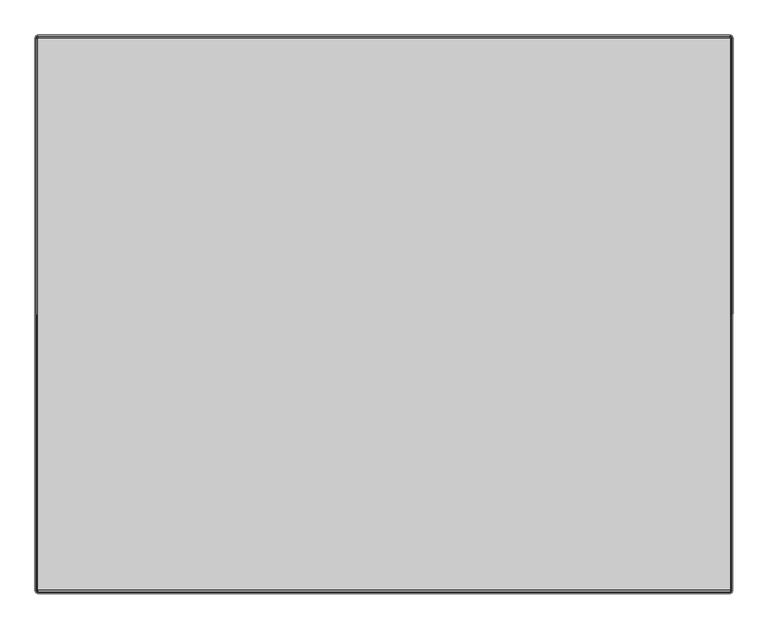
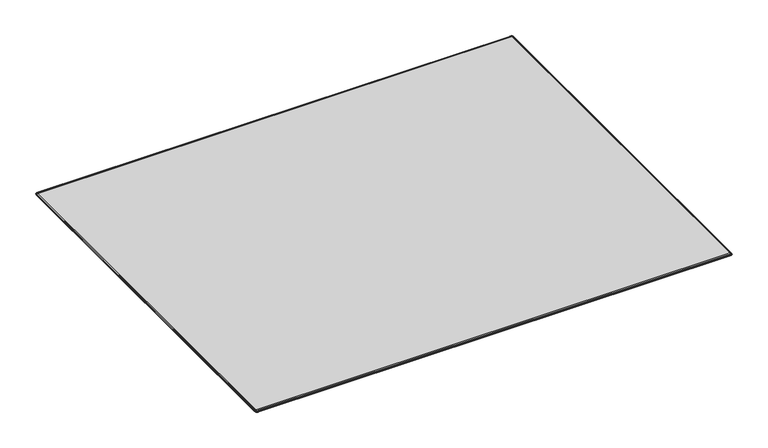
"""IFC4 building model written with IfcOpenShell, lengths in millimetres: furniture geometry."""

from ifc_helpers import new_model, si_unit, origin, place, context, project, spatial, triangles, source, transform, mapped, element, save


def furniture_b85f0503(model_context):
    return source(origin(), model_context, "Body", "Tessellation", [
        triangles([(-1219.1999273, 762.0001453, 2.5400001), (-1219.2001453, -761.999782, 2.5400001), (1219.1999273, -762.0001453, 2.5400001), (1219.2001453, 761.999782, 2.5400001)], [[1, 2, 3], [1, 3, 4]], closed=False),
        triangles([(-1512.553751, -1217.8701393, 3.9473083), (-1512.553751, -1213.8884056, 5.6455538), (-1518.0740536, -1211.2075373, 5.2703337), (-1520.318684, -1214.283585, 3.6929245), (1512.3283287, -1213.4453367, 5.5834568), (1512.3283287, -1217.4297592, 3.9113295), (1522.1921162, -1205.5378252, 3.8820998), (1518.9981251, -1205.5378252, 5.548083), (1517.4178436, -1211.2079733, 5.2703337), (1519.8697289, -1214.2768993, 3.7026699), (1512.3287647, 1217.7376619, 3.8928166), (1512.3287647, 1214.0834518, 5.5834642), (1517.418425, 1212.063081, 5.2703417), (1519.8769958, 1214.8658895, 3.6922619), (-1522.8369896, 1205.5242359, 3.9099636), (-1519.9003956, 1205.5242359, 5.6251234), (-1518.0734722, 1212.063517, 5.2703417), (-1520.3252243, 1214.8736652, 3.6821974), (-1512.5530243, 1214.4849535, 5.6455618), (-1512.5530243, 1218.1378555, 3.9290948), (-1519.5043442, -1205.5373165, 5.548083), (-1522.4415195, -1205.5373165, 3.8646087), (1519.4366158, 1205.5237272, 5.6251234), (1522.6290081, 1205.5237272, 3.9271214), (-1512.553751, -1205.5373165, 6.0910804), (1512.3283287, -1205.5378252, 6.0187375), (-1512.553751, -1220.0368675, 0.0), (-1512.553751, -1220.0368675, 1.4333036), (-1521.4664337, -1215.9145901, 1.4333036), (-1521.4664337, -1215.9145901, 0.0), (1512.3283287, -1219.6148003, 0.0), (1512.3283287, -1219.6148003, 1.4333036), (1523.9194817, -1205.5378252, 0.0), (1523.9194817, -1205.5378252, 1.433304), (1521.1658707, -1215.9150988, 1.4333036), (1521.1658707, -1215.9150988, 0.0), (1524.3367527, 1205.5237272, 6.5e-06), (1524.3374794, 1205.5237272, 1.4333101), (1512.3287647, 1219.6559315, 6.5e-06), (1512.3287647, 1219.6559315, 1.4333104), (1521.1663067, 1216.3143476, 1.4333101), (1521.1663067, 1216.3143476, 6.5e-06), (-1524.3367527, 1205.5242359, 6.5e-06), (-1524.3367527, 1205.5242359, 1.4333101), (-1521.4658524, 1216.315365, 1.4333101), (-1521.4658524, 1216.315365, 6.5e-06), (-1512.5530243, 1220.0373035, 1.4333104), (-1512.5530243, 1220.0373035, 6.5e-06), (-1523.9594501, -1205.5373165, 1.433304), (-1523.9594501, -1205.5373165, 0.0), (1512.3287647, 1205.5237272, 6.1053096), (-1512.5530243, 1205.5242359, 6.1746061), (-1512.553751, -1205.5373165, 0.0), (-1512.5530243, 1205.5242359, 6.5e-06), (1512.3287647, 1205.5237272, 6.5e-06), (1512.3283287, -1205.5378252, 0.0)], [[1, 2, 3], [3, 4, 1], [5, 2, 1], [1, 6, 5], [7, 8, 9], [9, 10, 7], [11, 12, 13], [13, 14, 11], [15, 16, 17], [17, 18, 15], [19, 12, 11], [11, 20, 19], [17, 19, 20], [20, 18, 17], [3, 21, 22], [22, 4, 3], [13, 23, 24], [24, 14, 13], [9, 5, 6], [6, 10, 9], [25, 21, 3], [3, 2, 25], [2, 5, 26], [26, 25, 2], [27, 28, 29], [29, 30, 27], [31, 32, 28], [28, 27, 31], [33, 34, 35], [35, 36, 33], [37, 38, 34], [34, 33, 37], [39, 40, 41], [41, 42, 39], [43, 44, 45], [45, 46, 43], [47, 40, 39], [39, 48, 47], [46, 45, 47], [47, 48, 46], [49, 44, 43], [43, 50, 49], [30, 29, 49], [49, 50, 30], [25, 26, 51], [51, 52, 25], [52, 19, 17], [17, 16, 52], [42, 41, 38], [38, 37, 42], [12, 51, 23], [23, 13, 12], [19, 52, 51], [51, 12, 19], [8, 26, 5], [5, 9, 8], [36, 35, 32], [32, 31, 36], [53, 54, 55], [55, 56, 53], [27, 53, 56], [56, 31, 27], [30, 50, 53], [53, 27, 30], [46, 48, 54], [54, 43, 46], [48, 39, 55], [55, 54, 48], [42, 37, 55], [55, 39, 42], [56, 33, 36], [36, 31, 56], [28, 1, 4], [4, 29, 28], [6, 1, 28], [28, 32, 6], [34, 7, 10], [10, 35, 34], [40, 11, 14], [14, 41, 40], [44, 15, 18], [18, 45, 44], [20, 11, 40], [40, 47, 20], [18, 20, 47], [47, 45, 18], [4, 22, 49], [49, 29, 4], [14, 24, 38], [38, 41, 14], [10, 6, 32], [32, 35, 10]], closed=False),
        triangles([(1522.6290081, 1205.5237272, 3.9271214), (1522.1921162, -1205.5378252, 3.8820998), (1523.9194817, -1205.5378252, 1.433304), (1524.3374794, 1205.5237272, 1.4333101), (-1522.4415195, -1205.5373165, 3.8646087), (-1522.8369896, 1205.5242359, 3.9099636), (-1524.3367527, 1205.5242359, 1.4333101), (-1523.9594501, -1205.5373165, 1.433304), (1519.4366158, 1205.5237272, 5.6251234), (1518.9981251, -1205.5378252, 5.548083), (-1519.5043442, -1205.5373165, 5.548083), (-1519.9003956, 1205.5242359, 5.6251234), (-1512.5530243, 1205.5242359, 6.1746061), (-1512.553751, -1205.5373165, 6.0910804), (1512.3287647, 1205.5237272, 6.1053096), (1512.3283287, -1205.5378252, 6.0187375), (-1523.9594501, -1205.5373165, 0.0), (-1524.3367527, 1205.5242359, 6.5e-06), (-1512.5530243, 1205.5242359, 6.5e-06), (-1512.553751, -1205.5373165, 0.0), (1524.3367527, 1205.5237272, 6.5e-06), (1523.9194817, -1205.5378252, 0.0), (1512.3283287, -1205.5378252, 0.0), (1512.3287647, 1205.5237272, 6.5e-06)], [[1, 2, 3], [3, 4, 1], [5, 6, 7], [7, 8, 5], [9, 10, 2], [2, 1, 9], [11, 12, 6], [6, 5, 11], [13, 12, 11], [11, 14, 13], [9, 15, 16], [16, 10, 9], [17, 18, 19], [19, 20, 17], [21, 22, 23], [23, 24, 21]], closed=False),
    ])


if __name__ == "__main__":
    model = new_model("IFC4")
    model_context = context("Model", 3, world=origin())
    ifc_project = project(units=[si_unit("LENGTHUNIT", "METRE", prefix="MILLI")], contexts=[model_context])
    site = spatial("IfcSite", under=ifc_project)
    building = spatial("IfcBuilding", under=site)
    placement = place(None, origin())
    furniture_shape = furniture_b85f0503(model_context)
    element("IfcFurniture", 1, at=placement, inside=building, context=model_context, shape_type="MappedRepresentation", body=[
        mapped(furniture_shape, transform((0.0, 0.0, 0.0), x_axis=(1.0, 0.0, 0.0), y_axis=(0.0, 1.0, 0.0), z_axis=(0.0, 0.0, 1.0))),
    ])
    save(model, "model.ifc")
